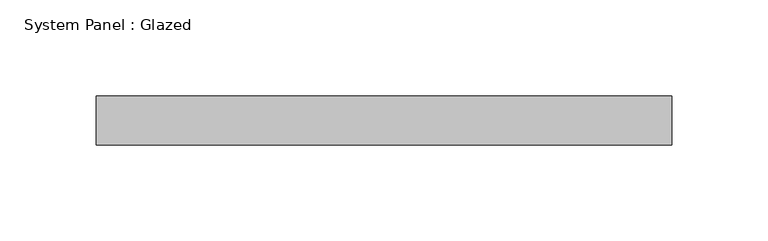
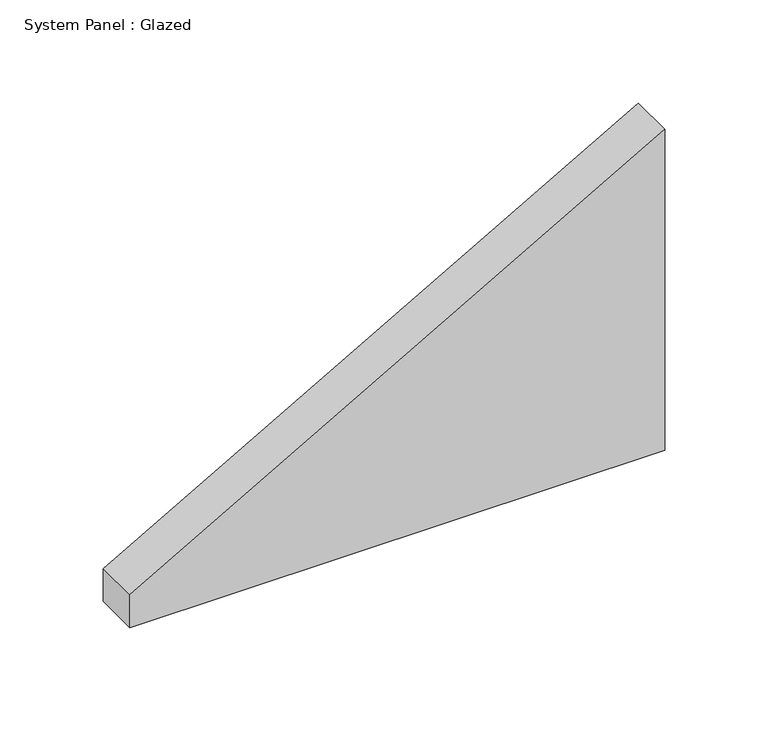
"""IFC4 building model written with IfcOpenShell, lengths in millimetres: plate geometry, System Panel : Glazed."""

from ifc_helpers import new_model, si_unit, frame, origin, place, context, project, spatial, polyline, outline, extrude, source, transform, mapped, element, save


def system_panel_glazed_25ccddde(model_context):
    return source(origin(), model_context, "Body", "SweptSolid", [
        extrude(outline(polyline([(0.0, -149.5342175), (0.0, 149.5342175), (189.6075084, 149.5342175), (19.405309, -149.5342175), (0.0, -149.5342175)])), frame((0.0, 19.05, 0.0), z_axis=(0.0, 1.0, 0.0), x_axis=(0.0, 0.0, 1.0)), (0.0, 0.0, 1.0), 25.4),
    ])


if __name__ == "__main__":
    model = new_model("IFC4")
    model_context = context("Model", 3, world=origin())
    ifc_project = project(units=[si_unit("LENGTHUNIT", "METRE", prefix="MILLI")], contexts=[model_context])
    site = spatial("IfcSite", under=ifc_project)
    building = spatial("IfcBuilding", under=site)
    placement = place(None, origin())
    system_panel_glazed_shape = system_panel_glazed_25ccddde(model_context)
    element("IfcPlate", 1, ObjectType="System Panel : Glazed", at=placement, inside=building, context=model_context, shape_type="MappedRepresentation", body=[
        mapped(system_panel_glazed_shape, transform((0.0, 0.0, 0.0), x_axis=(1.0, 0.0, 0.0), y_axis=(0.0, 1.0, 0.0), z_axis=(0.0, 0.0, 1.0))),
    ])
    save(model, "model.ifc")
